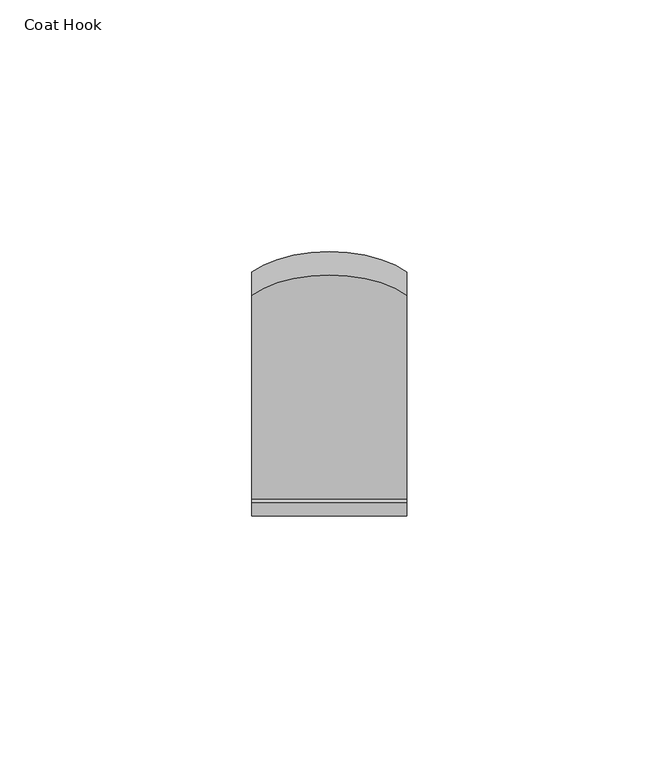
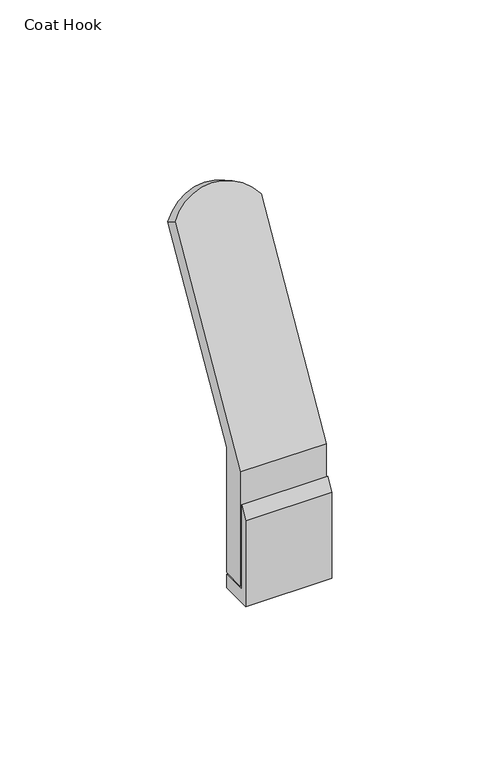
"""IFC4 building model written with IfcOpenShell, lengths in millimetres: furniture geometry, Coat Hook."""

from ifc_helpers import new_model, si_unit, frame, origin, place, context, project, spatial, polyline, circle_curve, outline, extrude, source, transform, mapped, element, save
from ifc_brep_helpers import plane_surface, cylinder_surface, advanced_brep


def coat_hook_cc1b0793(model_context):
    return source(origin(), model_context, "Body", "SolidModel", [
        extrude(outline(polyline([(2.5077292, 1376.68), (11.8295292, 1376.68), (11.8295292, 1371.6), (-0.0322708, 1371.6), (-0.0322708, 1404.2347682), (2.5077292, 1408.6341773), (2.5077292, 1399.4452995), (2.5077292, 1376.68)])), frame((-30.734, 0.0, 0.0), z_axis=(1.0, 0.0, 0.0), x_axis=(0.0, 1.0, 0.0)), (0.0, 0.0, 1.0), 30.734),
        advanced_brep(
        [(0.0, 3.2697292, 1420.622), (0.0, 3.2697292, 1377.442), (0.0, 11.8295292, 1377.442), (0.0, 11.8295292, 1424.7800085), (0.0, 48.3444091, 1488.0256356), (0.0, 43.7250296, 1490.6926356), (-30.734, 11.8295292, 1424.7800085), (-30.734, 11.8295292, 1377.442), (-30.734, 3.2697292, 1377.442), (-30.734, 3.2697292, 1420.622), (-30.734, 43.7250296, 1490.6926356), (-30.734, 48.3444091, 1488.0256356)],
        [
            (0, 1),
            (1, 2),
            (2, 3),
            (3, 4),
            (4, 5),
            (5, 0),
            (6, 7),
            (7, 8),
            (8, 9),
            (9, 10),
            (10, 11),
            (11, 6),
            (9, 0),
            (5, 10, circle_curve(frame((-15.367, 38.4608758, 1481.5748539), z_axis=(0.0, -0.8660254037844362, 0.5000000000000044), x_axis=(1.0, 0.0, 0.0)), 18.6276662)),
            (8, 1),
            (7, 2),
            (6, 3),
            (11, 4, circle_curve(frame((-15.367, 43.0802553, 1478.9078539), z_axis=(0.0, 0.8660254037844362, -0.5000000000000044), x_axis=(1.0, 0.0, 0.0)), 18.6276662)),
        ],
        [
            plane_surface(frame((0.0, -562.0234924, 441.5054191), z_axis=(1.0, 0.0, 0.0), x_axis=(0.0, -0.5000000000000044, -0.8660254037844362))),
            plane_surface(frame((-30.734, -562.0234924, 441.5054191), z_axis=(-1.0, 0.0, 0.0), x_axis=(0.0, 0.5000000000000044, 0.8660254037844362))),
            plane_surface(frame((0.0, 47.8501497, 1497.8375533), z_axis=(0.0, -0.8660254037844362, 0.5000000000000044), x_axis=(-1.0, 0.0, 0.0))),
            plane_surface(frame((0.0, 3.2697292, 1420.622), z_axis=(0.0, -1.0, 0.0), x_axis=(-1.0, 0.0, 0.0))),
            plane_surface(frame((0.0, 3.2697292, 1377.442), z_axis=(0.0, 0.0, -1.0), x_axis=(-1.0, 0.0, 0.0))),
            plane_surface(frame((0.0, 11.8295292, 1377.442), z_axis=(0.0, 1.0, 0.0), x_axis=(-1.0, 0.0, 0.0))),
            plane_surface(frame((0.0, 11.8295292, 1424.7800085), z_axis=(0.0, 0.8660254037844358, -0.5000000000000051), x_axis=(-1.0, 0.0, 0.0))),
            cylinder_surface(frame((-15.367, 43.0802553, 1478.9078539), z_axis=(0.0, 0.8660254037844362, -0.5000000000000044), x_axis=(1.0, 0.0, 0.0)), 18.6276662),
        ],
        [
            (0, [[1, 2, 3, 4, 5, 6]]),
            (1, [[7, 8, 9, 10, 11, 12]]),
            (2, [[13, -6, 14, -10]]),
            (3, [[-1, -13, -9, 15]]),
            (4, [[-2, -15, -8, 16]]),
            (5, [[-3, -16, -7, 17]]),
            (6, [[-17, -12, 18, -4]]),
            (7, [[-5, -18, -11, -14]]),
        ],
    ),
    ])


if __name__ == "__main__":
    model = new_model("IFC4")
    model_context = context("Model", 3, world=origin())
    ifc_project = project(units=[si_unit("LENGTHUNIT", "METRE", prefix="MILLI")], contexts=[model_context])
    site = spatial("IfcSite", under=ifc_project)
    building = spatial("IfcBuilding", under=site)
    placement = place(None, origin())
    coat_hook_shape = coat_hook_cc1b0793(model_context)
    element("IfcFurniture", 1, ObjectType="Coat Hook", at=placement, inside=building, context=model_context, shape_type="MappedRepresentation", body=[
        mapped(coat_hook_shape, transform((0.0, 0.0, 0.0), x_axis=(1.0, 0.0, 0.0), y_axis=(0.0, 1.0, 0.0), z_axis=(0.0, 0.0, 1.0))),
    ])
    save(model, "model.ifc")
